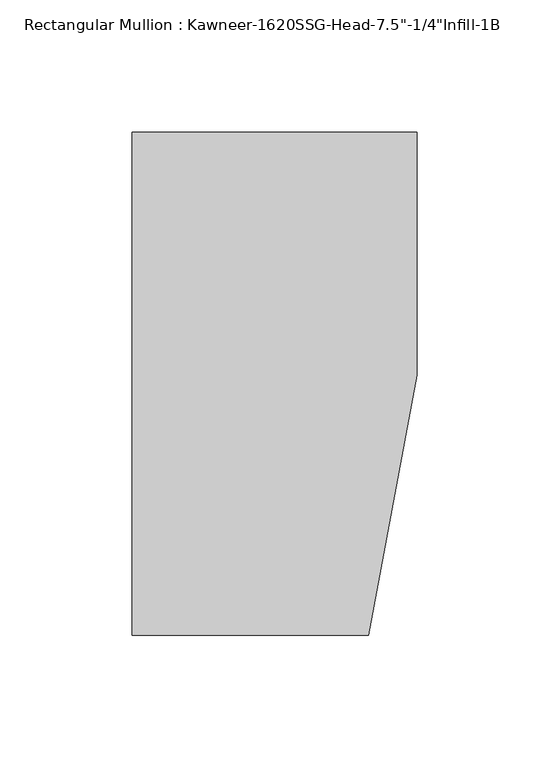
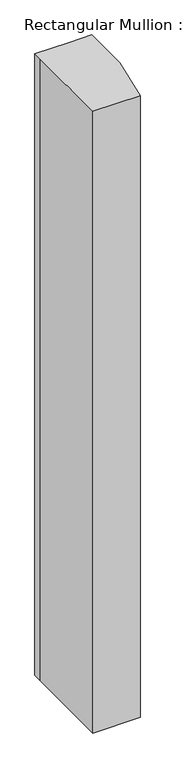
"""IFC4 building model written with IfcOpenShell, lengths in millimetres: member geometry."""

from ifc_helpers import new_model, si_unit, frame, origin, place, context, project, spatial, polyline, outline, extrude, source, transform, mapped, element, save


def member_6a5adfb3(model_context):
    return source(origin(), model_context, "Body", "SweptSolid", [
        extrude(outline(polyline([(-107.95, 10.3845466), (-107.95, 28.575), (-44.1519366, 28.575), (0.0, 28.575), (0.0, -63.5), (-18.3538271, -161.925), (-107.95, -161.925), (-107.95, 10.3845466)])), frame((0.0, 0.0, -1244.3591529), z_axis=(0.0, 0.0, 1.0), x_axis=(1.0, 0.0, 0.0)), (0.0, 0.0, 1.0), 1244.3591529),
    ])


if __name__ == "__main__":
    model = new_model("IFC4")
    model_context = context("Model", 3, world=origin())
    ifc_project = project(units=[si_unit("LENGTHUNIT", "METRE", prefix="MILLI")], contexts=[model_context])
    site = spatial("IfcSite", under=ifc_project)
    building = spatial("IfcBuilding", under=site)
    placement = place(None, origin())
    member_shape = member_6a5adfb3(model_context)
    element("IfcMember", 1, ObjectType="Rectangular Mullion : Kawneer-1620SSG-Head-7.5\"-1/4\"Infill-1B", at=placement, inside=building, context=model_context, shape_type="MappedRepresentation", body=[
        mapped(member_shape, transform((0.0, 0.0, 0.0), x_axis=(1.0, 0.0, 0.0), y_axis=(0.0, 1.0, 0.0), z_axis=(0.0, 0.0, 1.0))),
    ])
    save(model, "model.ifc")
